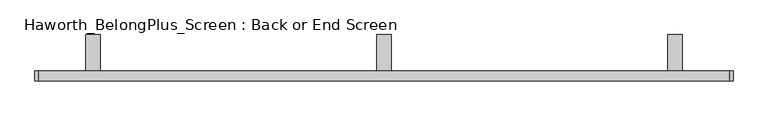
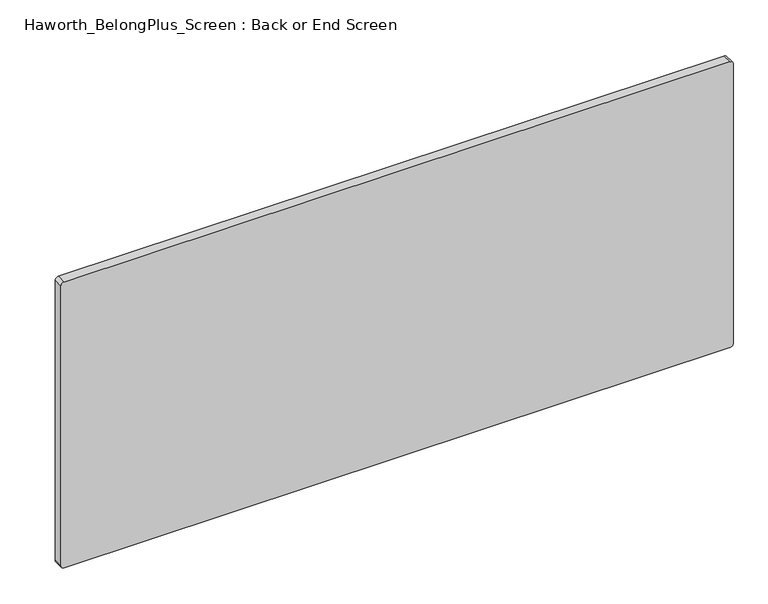
"""IFC4 building model written with IfcOpenShell, lengths in millimetres: furniture geometry, Haworth_BelongPlus_Screen : Back or End Screen."""

from ifc_helpers import new_model, si_unit, point, frame, frame_2d, origin, place, context, project, spatial, polyline, circle_curve, trimmed, segment, composite_curve, outline, extrude, source, transform, mapped, element, save


def haworth_belongplus_screen_back_or_end_screen_77a4235a(model_context):
    return source(origin(), model_context, "Body", "SweptSolid", [
        extrude(outline(polyline([(11.1125, 706.4375), (90.4875, 706.4375), (90.4875, 700.0875), (17.4625, 700.0875), (17.4625, 654.05), (11.1125, 654.05), (11.1125, 706.4375)])), frame((-48.5395436, 0.0, 0.0), z_axis=(1.0, 0.0, 0.0), x_axis=(0.0, 1.0, 0.0)), (0.0, 0.0, 1.0), 31.75),
        extrude(outline(polyline([(11.1125, 706.4375), (90.4875, 706.4375), (90.4875, 700.0875), (17.4625, 700.0875), (17.4625, 654.05), (11.1125, 654.05), (11.1125, 706.4375)])), frame((-683.5395436, 0.0, 0.0), z_axis=(1.0, 0.0, 0.0), x_axis=(0.0, 1.0, 0.0)), (0.0, 0.0, 1.0), 31.75),
        extrude(outline(polyline([(11.1125, 706.4375), (90.4875, 706.4375), (90.4875, 700.0875), (17.4625, 700.0875), (17.4625, 654.05), (11.1125, 654.05), (11.1125, 706.4375)])), frame((586.4604564, 0.0, 0.0), z_axis=(1.0, 0.0, 0.0), x_axis=(0.0, 1.0, 0.0)), (0.0, 0.0, 1.0), 31.75),
        extrude(outline(composite_curve([segment(polyline([(1062.0375, 721.3979564), (1062.0375, -786.7270436)]), True, "CONTINUOUS"), segment(trimmed(circle_curve(frame_2d((1054.1, -786.7270436)), 7.9375), [point((1062.0375, -786.7270436))], [point((1054.1, -794.6645436))], False, "CARTESIAN"), True, "CONTINUOUS"), segment(polyline([(1054.1, -794.6645436), (384.175, -794.6645436)]), True, "CONTINUOUS"), segment(trimmed(circle_curve(frame_2d((384.175, -786.7270436)), 7.9375), [point((384.175, -794.6645436))], [point((376.2375, -786.7270436))], False, "CARTESIAN"), True, "CONTINUOUS"), segment(polyline([(376.2375, -786.7270436), (376.2375, 721.3979564)]), True, "CONTINUOUS"), segment(trimmed(circle_curve(frame_2d((384.175, 721.3979564)), 7.9375), [point((376.2375, 721.3979564))], [point((384.175, 729.3354564))], False, "CARTESIAN"), True, "CONTINUOUS"), segment(polyline([(384.175, 729.3354564), (1054.1, 729.3354564)]), True, "CONTINUOUS"), segment(trimmed(circle_curve(frame_2d((1054.1, 721.3979564)), 7.9375), [point((1054.1, 729.3354564))], [point((1062.0375, 721.3979564))], False, "CARTESIAN"), True, "CONTINUOUS")], self_intersect=False)), frame((0.0, -11.1125, 0.0), z_axis=(0.0, 1.0, 0.0), x_axis=(0.0, 0.0, 1.0)), (0.0, 0.0, 1.0), 22.225),
    ])


if __name__ == "__main__":
    model = new_model("IFC4")
    model_context = context("Model", 3, world=origin())
    ifc_project = project(units=[si_unit("LENGTHUNIT", "METRE", prefix="MILLI")], contexts=[model_context])
    site = spatial("IfcSite", under=ifc_project)
    building = spatial("IfcBuilding", under=site)
    placement = place(None, origin())
    haworth_belongplus_screen_back_or_end_screen_shape = haworth_belongplus_screen_back_or_end_screen_77a4235a(model_context)
    element("IfcFurniture", 1, ObjectType="Haworth_BelongPlus_Screen : Back or End Screen", at=placement, inside=building, context=model_context, shape_type="MappedRepresentation", body=[
        mapped(haworth_belongplus_screen_back_or_end_screen_shape, transform((0.0, 0.0, 0.0), x_axis=(1.0, 0.0, 0.0), y_axis=(0.0, 1.0, 0.0), z_axis=(0.0, 0.0, 1.0))),
    ])
    save(model, "model.ifc")
